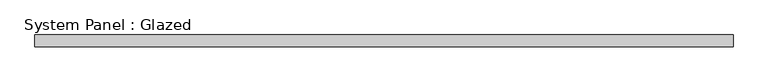
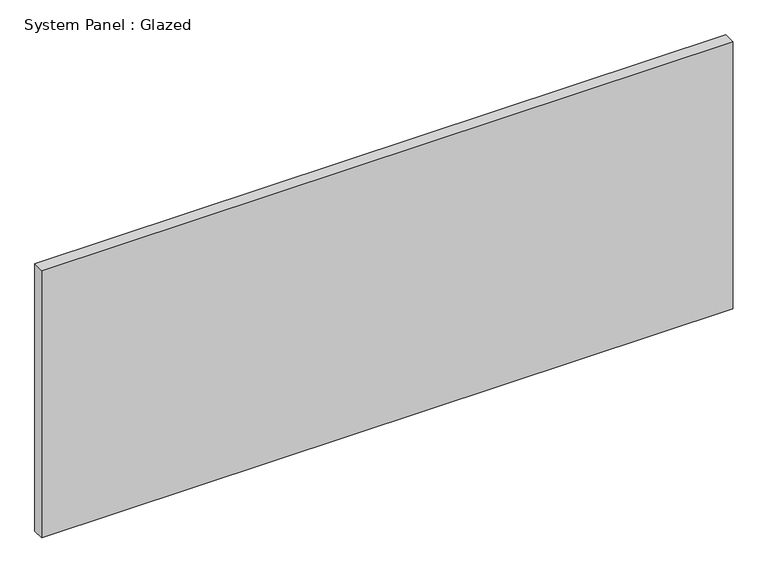
"""IFC4 building model written with IfcOpenShell, lengths in millimetres: plate geometry, System Panel : Glazed."""

from ifc_helpers import new_model, si_unit, origin, origin_with_axes, place, context, project, spatial, polyline, outline, extrude, source, transform, mapped, element, save


def system_panel_glazed_39099b5e(model_context):
    return source(origin(), model_context, "Body", "SweptSolid", [
        extrude(outline(polyline([(762.0, 19.05), (-762.0, 19.05), (-762.0, 44.45), (762.0, 44.45), (762.0, 19.05)])), origin_with_axes(), (0.0, 0.0, 1.0), 622.3),
    ])


if __name__ == "__main__":
    model = new_model("IFC4")
    model_context = context("Model", 3, world=origin())
    ifc_project = project(units=[si_unit("LENGTHUNIT", "METRE", prefix="MILLI")], contexts=[model_context])
    site = spatial("IfcSite", under=ifc_project)
    building = spatial("IfcBuilding", under=site)
    placement = place(None, origin())
    system_panel_glazed_shape = system_panel_glazed_39099b5e(model_context)
    element("IfcPlate", 1, ObjectType="System Panel : Glazed", at=placement, inside=building, context=model_context, shape_type="MappedRepresentation", body=[
        mapped(system_panel_glazed_shape, transform((0.0, 0.0, 0.0), x_axis=(1.0, 0.0, 0.0), y_axis=(0.0, 1.0, 0.0), z_axis=(0.0, 0.0, 1.0))),
    ])
    save(model, "model.ifc")
